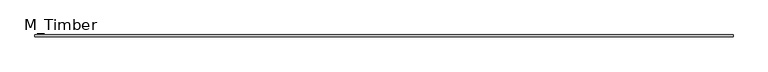
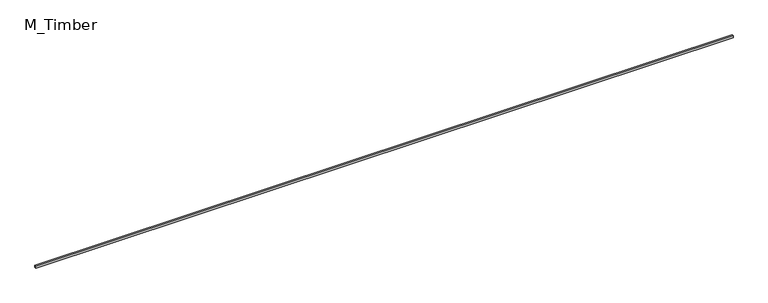
"""IFC4 building model written with IfcOpenShell, lengths in millimetres: beam geometry, M_Timber."""

import ifcopenshell
import ifcopenshell.guid

model = None  # the IFC model being written
_history = None  # IfcOwnerHistory: only IFC2X3 demands one
_inside = {}  # id of a spatial element -> (the spatial element, [elements in it])
_under = {}  # id of a project, library or spatial element -> (it, [spatial elements below it])
_declared = {}  # id of a project -> (the project, [libraries it declares])
_typed = {}  # id of a type object -> (the type object, [elements of that type])
_made_of = {}  # id of a material, layer set ... -> (it, [elements and type objects made of it])


def new_model(schema):
    """Start an empty IFC model of exactly this schema.

    Asked for "IFC4X3", IfcOpenShell would pick the latest addendum, in which some entities
    have other attributes; the version numbers below select the first issue.
    IFC2X3 requires an IfcOwnerHistory on every rooted entity: one is made here for all.
    """
    global model, _history
    if schema == "IFC4X3":
        model = ifcopenshell.file(schema_version=(4, 3, 0, 0))
    else:
        model = ifcopenshell.file(schema=schema)
    _inside.clear()
    _under.clear()
    _declared.clear()
    _typed.clear()
    _made_of.clear()
    _history = None
    if model.schema == "IFC2X3":
        org = make("IfcOrganization", Name="unknown")
        user = make(
            "IfcPersonAndOrganization",
            ThePerson=make("IfcPerson", FamilyName="unknown"),
            TheOrganization=org,
        )
        app = make(
            "IfcApplication",
            ApplicationDeveloper=org,
            Version="unknown",
            ApplicationFullName="unknown",
            ApplicationIdentifier="unknown",
        )
        _history = make(
            "IfcOwnerHistory",
            OwningUser=user,
            OwningApplication=app,
            ChangeAction="ADDED",
            CreationDate=0,
        )
    return model


def make(cls, **values):
    """One entity of the class cls with the attributes given. An attribute that is None is left unset."""
    return model.create_entity(
        cls, **{name: value for name, value in values.items() if value is not None}
    )


def rooted(cls, **values):
    """An entity with a GlobalId (a new one), such as an element, a storey or a relation."""
    return make(cls, GlobalId=ifcopenshell.guid.new(), OwnerHistory=_history, **values)


def si_unit(unit_type, name, prefix=None):
    """IfcSIUnit, for example si_unit("LENGTHUNIT", "METRE", prefix="MILLI")."""
    return make("IfcSIUnit", UnitType=unit_type, Prefix=prefix, Name=name)


def assignment(units):
    """IfcUnitAssignment: the units of a project."""
    return None if units is None else make("IfcUnitAssignment", Units=units)


def point(xyz):
    """IfcCartesianPoint."""
    return None if xyz is None else make("IfcCartesianPoint", Coordinates=xyz)


def direction(xyz):
    """IfcDirection."""
    return None if xyz is None else make("IfcDirection", DirectionRatios=xyz)


def frame(location, z_axis=None, x_axis=None):
    """IfcAxis2Placement3D, a coordinate frame: its origin and axes. An axis left out is left unset."""
    return make(
        "IfcAxis2Placement3D",
        Location=point(location),
        Axis=direction(z_axis),
        RefDirection=direction(x_axis),
    )


def origin():
    """The frame at (0, 0, 0) with its axes left unset."""
    return frame((0.0, 0.0, 0.0))


def place(relative_to, where):
    """IfcLocalPlacement: puts the frame where relative to a parent placement (None: the world)."""
    return make(
        "IfcLocalPlacement", PlacementRelTo=relative_to, RelativePlacement=where
    )


def context(
    kind, dimensions, precision=None, world=None, true_north=None, identifier=None
):
    """IfcGeometricRepresentationContext, for example the 3D "Model" context."""
    return make(
        "IfcGeometricRepresentationContext",
        ContextIdentifier=identifier,
        ContextType=kind,
        CoordinateSpaceDimension=dimensions,
        Precision=precision,
        WorldCoordinateSystem=world,
        TrueNorth=true_north,
    )


def project(units=None, contexts=None):
    """IfcProject with its units and contexts."""
    return rooted(
        "IfcProject",
        Name="project",
        RepresentationContexts=contexts,
        UnitsInContext=assignment(units),
    )


def spatial(cls, under=None, at=None, **own):
    """A site, building, storey or space (cls), placed at a placement, below another one or the project."""
    s = rooted(cls, ObjectPlacement=at, **own)
    if under is not None:
        _under.setdefault(under.id(), (under, []))[1].append(s)
    return s


def polyline(points):
    """IfcPolyline through the points."""
    return make("IfcPolyline", Points=[point(p) for p in points])


def outline(outer, holes=None, kind="AREA"):
    """IfcArbitraryClosedProfileDef: a profile drawn as a closed curve; with holes, ...WithVoids."""
    if holes is None:
        return make("IfcArbitraryClosedProfileDef", ProfileType=kind, OuterCurve=outer)
    return make(
        "IfcArbitraryProfileDefWithVoids",
        ProfileType=kind,
        OuterCurve=outer,
        InnerCurves=holes,
    )


def extrude(swept, where, along, depth):
    """IfcExtrudedAreaSolid: the profile swept, set in the frame where, extruded along a direction by depth."""
    return make(
        "IfcExtrudedAreaSolid",
        SweptArea=swept,
        Position=where,
        ExtrudedDirection=direction(along),
        Depth=depth,
    )


def shape(context_of_items, identifier, shape_type, items):
    """IfcShapeRepresentation: the items that make up one representation, for example the "Body"."""
    return make(
        "IfcShapeRepresentation",
        ContextOfItems=context_of_items,
        RepresentationIdentifier=identifier,
        RepresentationType=shape_type,
        Items=items,
    )


def source(mapping_origin, context_of_items, identifier, shape_type, items):
    """IfcRepresentationMap: a shape defined once, which mapped items show again and again."""
    return make(
        "IfcRepresentationMap",
        MappingOrigin=mapping_origin,
        MappedRepresentation=shape(context_of_items, identifier, shape_type, items),
    )


def transform(
    local_origin,
    x_axis=None,
    y_axis=None,
    z_axis=None,
    scale=None,
    scale2=None,
    scale3=None,
    uniform=True,
):
    """IfcCartesianTransformationOperator3D, or its non-uniform kind. x_axis, y_axis, z_axis: its Axis1, 2, 3."""
    if uniform:
        return make(
            "IfcCartesianTransformationOperator3D",
            Axis1=direction(x_axis),
            Axis2=direction(y_axis),
            LocalOrigin=point(local_origin),
            Scale=scale,
            Axis3=direction(z_axis),
        )
    return make(
        "IfcCartesianTransformationOperator3DnonUniform",
        Axis1=direction(x_axis),
        Axis2=direction(y_axis),
        LocalOrigin=point(local_origin),
        Scale=scale,
        Axis3=direction(z_axis),
        Scale2=scale2,
        Scale3=scale3,
    )


def mapped(mapping_source, mapping_target):
    """IfcMappedItem: shows the shape of a source again, moved by a transform."""
    return make(
        "IfcMappedItem", MappingSource=mapping_source, MappingTarget=mapping_target
    )


def made_of(thing, what):
    """Note that an element or type object is made of a material, layer set ...; save() writes the relation."""
    if what is not None:
        _made_of.setdefault(what.id(), (what, []))[1].append(thing)
    return thing


def element(
    cls,
    number,
    at=None,
    inside=None,
    cuts=None,
    type_object=None,
    material=None,
    context=None,
    identifier="Body",
    shape_type=None,
    held_by="IfcProductDefinitionShape",
    body=None,
    shapes=None,
    **own,
):
    """One element of the class cls, such as IfcWall. Its Tag is "e" and its number.

    at: its placement. inside: the storey or other place that contains it. cuts: it is an
    opening in that element (IfcRelVoidsElement). A single representation is given by context,
    identifier, shape_type and body (its items); several are given by shapes. held_by: the class
    of the entity that holds the representations. save() writes the other relations.
    """
    e = rooted(cls, Tag="e%d" % number, ObjectPlacement=at, **own)
    if body is not None:
        shapes = [shape(context, identifier, shape_type, body)]
    if shapes is not None:
        e.Representation = make(held_by, Representations=shapes)
    if inside is not None:
        _inside.setdefault(inside.id(), (inside, []))[1].append(e)
    if cuts is not None:
        rooted(
            "IfcRelVoidsElement", RelatingBuildingElement=cuts, RelatedOpeningElement=e
        )
    if type_object is not None:
        _typed.setdefault(type_object.id(), (type_object, []))[1].append(e)
    return made_of(e, material)


def aggregate(whole, parts):
    """IfcRelAggregates: a whole, such as a stair, and the parts it consists of."""
    return rooted("IfcRelAggregates", RelatingObject=whole, RelatedObjects=parts)


def save(model, path):
    """Write the relations noted so far, then the file.

    IfcRelAggregates (storeys below a building ...), IfcRelContainedInSpatialStructure (elements
    in a storey), IfcRelDefinesByType, IfcRelAssociatesMaterial and IfcRelDeclares: one each for
    every whole, place, type object, material and project.
    """
    for whole, parts in _under.values():
        aggregate(whole, parts)
    for where, things in _inside.values():
        rooted(
            "IfcRelContainedInSpatialStructure",
            RelatedElements=things,
            RelatingStructure=where,
        )
    for kind, things in _typed.values():
        rooted("IfcRelDefinesByType", RelatedObjects=things, RelatingType=kind)
    for what, things in _made_of.values():
        rooted("IfcRelAssociatesMaterial", RelatedObjects=things, RelatingMaterial=what)
    for by, libraries in _declared.values():
        rooted("IfcRelDeclares", RelatingContext=by, RelatedDefinitions=libraries)
    model.write(path)


def m_timber_9df61901(model_context):
    return source(origin(), model_context, "Body", "SweptSolid", [
        extrude(outline(polyline([(7568.1253696, 20.0), (7568.1253696, -20.0), (-7568.1253696, -20.0), (-7568.1253696, 20.0), (7568.1253696, 20.0)])), frame((0.0, 0.0, -20.0), z_axis=(0.0, 0.0, 1.0), x_axis=(1.0, 0.0, 0.0)), (0.0, 0.0, 1.0), 40.0),
    ])


if __name__ == "__main__":
    model = new_model("IFC4")
    model_context = context("Model", 3, world=origin())
    ifc_project = project(units=[si_unit("LENGTHUNIT", "METRE", prefix="MILLI")], contexts=[model_context])
    site = spatial("IfcSite", under=ifc_project)
    building = spatial("IfcBuilding", under=site)
    placement = place(None, origin())
    m_timber_shape = m_timber_9df61901(model_context)
    element("IfcBeam", 1, ObjectType="M_Timber", at=placement, inside=building, context=model_context, shape_type="MappedRepresentation", body=[
        mapped(m_timber_shape, transform((0.0, 0.0, 0.0), x_axis=(1.0, 0.0, 0.0), y_axis=(0.0, 1.0, 0.0), z_axis=(0.0, 0.0, 1.0))),
    ])
    save(model, "model.ifc")
